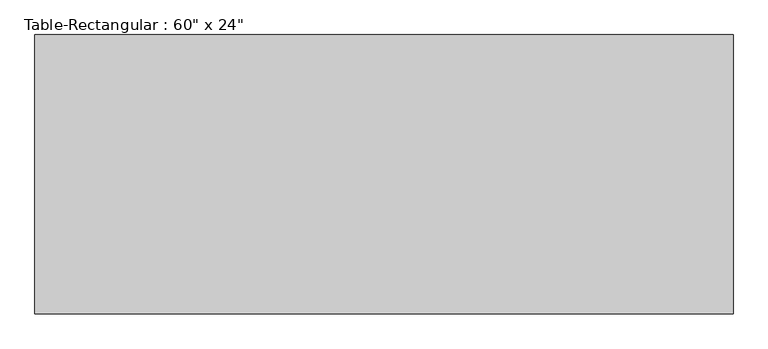
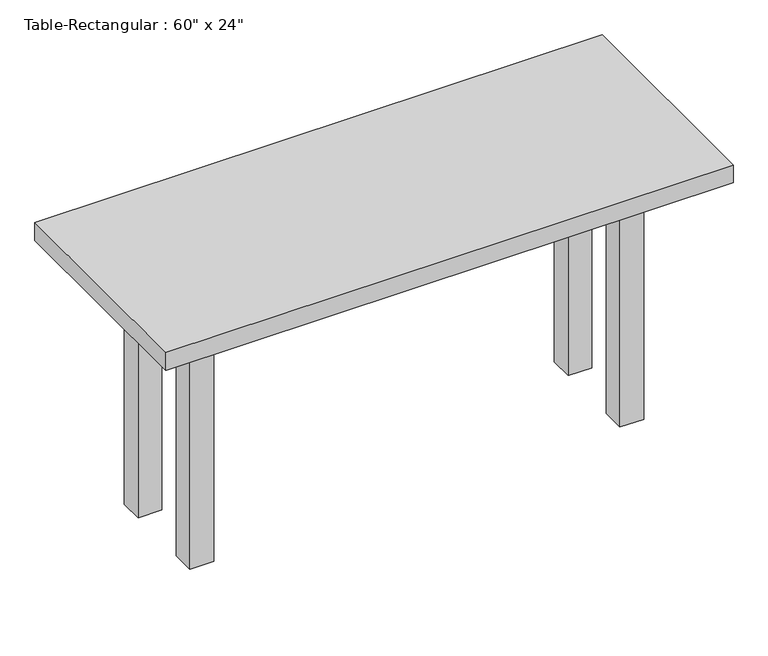
"""IFC4 building model written with IfcOpenShell, lengths in millimetres: furniture geometry."""

import ifcopenshell
import ifcopenshell.guid

model = None  # the IFC model being written
_history = None  # IfcOwnerHistory: only IFC2X3 demands one
_inside = {}  # id of a spatial element -> (the spatial element, [elements in it])
_under = {}  # id of a project, library or spatial element -> (it, [spatial elements below it])
_declared = {}  # id of a project -> (the project, [libraries it declares])
_typed = {}  # id of a type object -> (the type object, [elements of that type])
_made_of = {}  # id of a material, layer set ... -> (it, [elements and type objects made of it])


def new_model(schema):
    """Start an empty IFC model of exactly this schema.

    Asked for "IFC4X3", IfcOpenShell would pick the latest addendum, in which some entities
    have other attributes; the version numbers below select the first issue.
    IFC2X3 requires an IfcOwnerHistory on every rooted entity: one is made here for all.
    """
    global model, _history
    if schema == "IFC4X3":
        model = ifcopenshell.file(schema_version=(4, 3, 0, 0))
    else:
        model = ifcopenshell.file(schema=schema)
    _inside.clear()
    _under.clear()
    _declared.clear()
    _typed.clear()
    _made_of.clear()
    _history = None
    if model.schema == "IFC2X3":
        org = make("IfcOrganization", Name="unknown")
        user = make(
            "IfcPersonAndOrganization",
            ThePerson=make("IfcPerson", FamilyName="unknown"),
            TheOrganization=org,
        )
        app = make(
            "IfcApplication",
            ApplicationDeveloper=org,
            Version="unknown",
            ApplicationFullName="unknown",
            ApplicationIdentifier="unknown",
        )
        _history = make(
            "IfcOwnerHistory",
            OwningUser=user,
            OwningApplication=app,
            ChangeAction="ADDED",
            CreationDate=0,
        )
    return model


def make(cls, **values):
    """One entity of the class cls with the attributes given. An attribute that is None is left unset."""
    return model.create_entity(
        cls, **{name: value for name, value in values.items() if value is not None}
    )


def rooted(cls, **values):
    """An entity with a GlobalId (a new one), such as an element, a storey or a relation."""
    return make(cls, GlobalId=ifcopenshell.guid.new(), OwnerHistory=_history, **values)


def si_unit(unit_type, name, prefix=None):
    """IfcSIUnit, for example si_unit("LENGTHUNIT", "METRE", prefix="MILLI")."""
    return make("IfcSIUnit", UnitType=unit_type, Prefix=prefix, Name=name)


def assignment(units):
    """IfcUnitAssignment: the units of a project."""
    return None if units is None else make("IfcUnitAssignment", Units=units)


def point(xyz):
    """IfcCartesianPoint."""
    return None if xyz is None else make("IfcCartesianPoint", Coordinates=xyz)


def direction(xyz):
    """IfcDirection."""
    return None if xyz is None else make("IfcDirection", DirectionRatios=xyz)


def frame(location, z_axis=None, x_axis=None):
    """IfcAxis2Placement3D, a coordinate frame: its origin and axes. An axis left out is left unset."""
    return make(
        "IfcAxis2Placement3D",
        Location=point(location),
        Axis=direction(z_axis),
        RefDirection=direction(x_axis),
    )


def origin():
    """The frame at (0, 0, 0) with its axes left unset."""
    return frame((0.0, 0.0, 0.0))


def origin_with_axes():
    """The frame at (0, 0, 0) with the z axis (0, 0, 1) and the x axis (1, 0, 0) written out."""
    return frame((0.0, 0.0, 0.0), z_axis=(0.0, 0.0, 1.0), x_axis=(1.0, 0.0, 0.0))


def place(relative_to, where):
    """IfcLocalPlacement: puts the frame where relative to a parent placement (None: the world)."""
    return make(
        "IfcLocalPlacement", PlacementRelTo=relative_to, RelativePlacement=where
    )


def context(
    kind, dimensions, precision=None, world=None, true_north=None, identifier=None
):
    """IfcGeometricRepresentationContext, for example the 3D "Model" context."""
    return make(
        "IfcGeometricRepresentationContext",
        ContextIdentifier=identifier,
        ContextType=kind,
        CoordinateSpaceDimension=dimensions,
        Precision=precision,
        WorldCoordinateSystem=world,
        TrueNorth=true_north,
    )


def project(units=None, contexts=None):
    """IfcProject with its units and contexts."""
    return rooted(
        "IfcProject",
        Name="project",
        RepresentationContexts=contexts,
        UnitsInContext=assignment(units),
    )


def spatial(cls, under=None, at=None, **own):
    """A site, building, storey or space (cls), placed at a placement, below another one or the project."""
    s = rooted(cls, ObjectPlacement=at, **own)
    if under is not None:
        _under.setdefault(under.id(), (under, []))[1].append(s)
    return s


def polyline(points):
    """IfcPolyline through the points."""
    return make("IfcPolyline", Points=[point(p) for p in points])


def outline(outer, holes=None, kind="AREA"):
    """IfcArbitraryClosedProfileDef: a profile drawn as a closed curve; with holes, ...WithVoids."""
    if holes is None:
        return make("IfcArbitraryClosedProfileDef", ProfileType=kind, OuterCurve=outer)
    return make(
        "IfcArbitraryProfileDefWithVoids",
        ProfileType=kind,
        OuterCurve=outer,
        InnerCurves=holes,
    )


def extrude(swept, where, along, depth):
    """IfcExtrudedAreaSolid: the profile swept, set in the frame where, extruded along a direction by depth."""
    return make(
        "IfcExtrudedAreaSolid",
        SweptArea=swept,
        Position=where,
        ExtrudedDirection=direction(along),
        Depth=depth,
    )


def shape(context_of_items, identifier, shape_type, items):
    """IfcShapeRepresentation: the items that make up one representation, for example the "Body"."""
    return make(
        "IfcShapeRepresentation",
        ContextOfItems=context_of_items,
        RepresentationIdentifier=identifier,
        RepresentationType=shape_type,
        Items=items,
    )


def source(mapping_origin, context_of_items, identifier, shape_type, items):
    """IfcRepresentationMap: a shape defined once, which mapped items show again and again."""
    return make(
        "IfcRepresentationMap",
        MappingOrigin=mapping_origin,
        MappedRepresentation=shape(context_of_items, identifier, shape_type, items),
    )


def transform(
    local_origin,
    x_axis=None,
    y_axis=None,
    z_axis=None,
    scale=None,
    scale2=None,
    scale3=None,
    uniform=True,
):
    """IfcCartesianTransformationOperator3D, or its non-uniform kind. x_axis, y_axis, z_axis: its Axis1, 2, 3."""
    if uniform:
        return make(
            "IfcCartesianTransformationOperator3D",
            Axis1=direction(x_axis),
            Axis2=direction(y_axis),
            LocalOrigin=point(local_origin),
            Scale=scale,
            Axis3=direction(z_axis),
        )
    return make(
        "IfcCartesianTransformationOperator3DnonUniform",
        Axis1=direction(x_axis),
        Axis2=direction(y_axis),
        LocalOrigin=point(local_origin),
        Scale=scale,
        Axis3=direction(z_axis),
        Scale2=scale2,
        Scale3=scale3,
    )


def mapped(mapping_source, mapping_target):
    """IfcMappedItem: shows the shape of a source again, moved by a transform."""
    return make(
        "IfcMappedItem", MappingSource=mapping_source, MappingTarget=mapping_target
    )


def made_of(thing, what):
    """Note that an element or type object is made of a material, layer set ...; save() writes the relation."""
    if what is not None:
        _made_of.setdefault(what.id(), (what, []))[1].append(thing)
    return thing


def element(
    cls,
    number,
    at=None,
    inside=None,
    cuts=None,
    type_object=None,
    material=None,
    context=None,
    identifier="Body",
    shape_type=None,
    held_by="IfcProductDefinitionShape",
    body=None,
    shapes=None,
    **own,
):
    """One element of the class cls, such as IfcWall. Its Tag is "e" and its number.

    at: its placement. inside: the storey or other place that contains it. cuts: it is an
    opening in that element (IfcRelVoidsElement). A single representation is given by context,
    identifier, shape_type and body (its items); several are given by shapes. held_by: the class
    of the entity that holds the representations. save() writes the other relations.
    """
    e = rooted(cls, Tag="e%d" % number, ObjectPlacement=at, **own)
    if body is not None:
        shapes = [shape(context, identifier, shape_type, body)]
    if shapes is not None:
        e.Representation = make(held_by, Representations=shapes)
    if inside is not None:
        _inside.setdefault(inside.id(), (inside, []))[1].append(e)
    if cuts is not None:
        rooted(
            "IfcRelVoidsElement", RelatingBuildingElement=cuts, RelatedOpeningElement=e
        )
    if type_object is not None:
        _typed.setdefault(type_object.id(), (type_object, []))[1].append(e)
    return made_of(e, material)


def aggregate(whole, parts):
    """IfcRelAggregates: a whole, such as a stair, and the parts it consists of."""
    return rooted("IfcRelAggregates", RelatingObject=whole, RelatedObjects=parts)


def save(model, path):
    """Write the relations noted so far, then the file.

    IfcRelAggregates (storeys below a building ...), IfcRelContainedInSpatialStructure (elements
    in a storey), IfcRelDefinesByType, IfcRelAssociatesMaterial and IfcRelDeclares: one each for
    every whole, place, type object, material and project.
    """
    for whole, parts in _under.values():
        aggregate(whole, parts)
    for where, things in _inside.values():
        rooted(
            "IfcRelContainedInSpatialStructure",
            RelatedElements=things,
            RelatingStructure=where,
        )
    for kind, things in _typed.values():
        rooted("IfcRelDefinesByType", RelatedObjects=things, RelatingType=kind)
    for what, things in _made_of.values():
        rooted("IfcRelAssociatesMaterial", RelatedObjects=things, RelatingMaterial=what)
    for by, libraries in _declared.values():
        rooted("IfcRelDeclares", RelatingContext=by, RelatedDefinitions=libraries)
    model.write(path)


def furniture_3e3a90ab(model_context):
    return source(origin(), model_context, "Body", "SweptSolid", [
        extrude(outline(polyline([(546.1, 114.3), (546.1, 88.9), (-546.1, 88.9), (-546.1, 114.3), (546.1, 114.3)])), frame((0.0, 0.0, 609.6), z_axis=(0.0, 0.0, 1.0), x_axis=(1.0, 0.0, 0.0)), (0.0, 0.0, 1.0), 101.6),
        extrude(outline(polyline([(546.1, -114.3), (-546.1, -114.3), (-546.1, -88.9), (546.1, -88.9), (546.1, -114.3)])), frame((0.0, 0.0, 609.6), z_axis=(0.0, 0.0, 1.0), x_axis=(1.0, 0.0, 0.0)), (0.0, 0.0, 1.0), 101.6),
        extrude(outline(polyline([(-558.8, -88.9), (-584.2, -88.9), (-584.2, 88.9), (-558.8, 88.9), (-558.8, -88.9)])), frame((0.0, 0.0, 609.6), z_axis=(0.0, 0.0, 1.0), x_axis=(1.0, 0.0, 0.0)), (0.0, 0.0, 1.0), 101.6),
        extrude(outline(polyline([(558.8, -88.9), (558.8, 88.9), (584.2, 88.9), (584.2, -88.9), (558.8, -88.9)])), frame((0.0, 0.0, 609.6), z_axis=(0.0, 0.0, 1.0), x_axis=(1.0, 0.0, 0.0)), (0.0, 0.0, 1.0), 101.6),
        extrude(outline(polyline([(762.0, 304.8), (762.0, -304.8), (-762.0, -304.8), (-762.0, 304.8), (762.0, 304.8)])), frame((0.0, 0.0, 711.2), z_axis=(0.0, 0.0, 1.0), x_axis=(1.0, 0.0, 0.0)), (0.0, 0.0, 1.0), 50.8),
        extrude(outline(polyline([(-546.1, 152.4), (-546.1, 88.9), (-609.6, 88.9), (-609.6, 152.4), (-546.1, 152.4)])), origin_with_axes(), (0.0, 0.0, 1.0), 711.2),
        extrude(outline(polyline([(546.1, 152.4), (609.6, 152.4), (609.6, 88.9), (546.1, 88.9), (546.1, 152.4)])), origin_with_axes(), (0.0, 0.0, 1.0), 711.2),
        extrude(outline(polyline([(-546.1, -152.4), (-609.6, -152.4), (-609.6, -88.9), (-546.1, -88.9), (-546.1, -152.4)])), origin_with_axes(), (0.0, 0.0, 1.0), 711.2),
        extrude(outline(polyline([(546.1, -152.4), (546.1, -88.9), (609.6, -88.9), (609.6, -152.4), (546.1, -152.4)])), origin_with_axes(), (0.0, 0.0, 1.0), 711.2),
    ])


if __name__ == "__main__":
    model = new_model("IFC4")
    model_context = context("Model", 3, world=origin())
    ifc_project = project(units=[si_unit("LENGTHUNIT", "METRE", prefix="MILLI")], contexts=[model_context])
    site = spatial("IfcSite", under=ifc_project)
    building = spatial("IfcBuilding", under=site)
    placement = place(None, origin())
    furniture_shape = furniture_3e3a90ab(model_context)
    element("IfcFurniture", 1, ObjectType="Table-Rectangular : 60\" x 24\"", at=placement, inside=building, context=model_context, shape_type="MappedRepresentation", body=[
        mapped(furniture_shape, transform((0.0, 0.0, 0.0), x_axis=(1.0, 0.0, 0.0), y_axis=(0.0, 1.0, 0.0), z_axis=(0.0, 0.0, 1.0))),
    ])
    save(model, "model.ifc")
